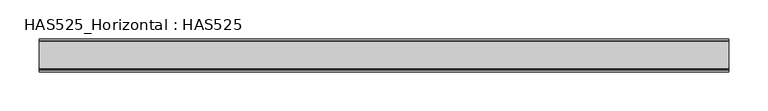
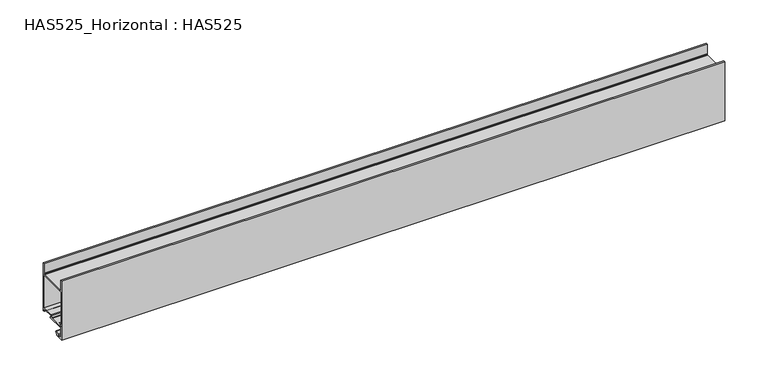
"""IFC4 building model written with IfcOpenShell, lengths in millimetres: beam geometry, HAS525_Horizontal : HAS525."""

from ifc_helpers import new_model, si_unit, point, frame, frame_2d, origin, place, context, project, spatial, polyline, circle_curve, trimmed, segment, composite_curve, outline, extrude, source, transform, mapped, element, save


def has525_horizontal_has525_60a64633(model_context):
    return source(origin(), model_context, "Body", "SweptSolid", [
        extrude(outline(composite_curve([segment(polyline([(17.8181818, -65.969697), (18.6730613, -64.4736579)]), True, "CONTINUOUS"), segment(trimmed(circle_curve(frame_2d((18.3102593, -64.2663425)), 0.4178576), [point((18.6730613, -64.4736579))], [point((18.3102593, -63.8484848))], True, "CARTESIAN"), True, "CONTINUOUS"), segment(polyline([(18.3102593, -63.8484848), (3.6060606, -63.8484848), (3.6060606, -65.7575758), (5.1459839, -66.1975538)]), True, "CONTINUOUS"), segment(trimmed(circle_curve(frame_2d((5.0293532, -66.6057611)), 0.4245419), [point((5.1459839, -66.1975538))], [point((5.0293532, -67.030303))], False, "CARTESIAN"), True, "CONTINUOUS"), segment(polyline([(5.0293532, -67.030303), (-17.3939394, -67.030303), (-18.4545455, -67.4545455), (-19.0909091, -68.5151515), (-19.0909091, -79.3939394), (-18.4545455, -80.4545455), (-17.3939394, -81.0909091), (-13.5757576, -81.0909091), (-12.7272727, -79.6060606), (-8.3578227, -77.9415082)]), True, "CONTINUOUS"), segment(trimmed(circle_curve(frame_2d((-8.2115322, -78.3255208)), 0.4109338), [point((-8.3578227, -77.9415082))], [point((-7.817929, -78.4436018))], False, "CARTESIAN"), True, "CONTINUOUS"), segment(polyline([(-7.817929, -78.4436018), (-8.4848485, -80.6666667), (-9.969697, -80.6666667), (-9.969697, -83.0), (-21.0, -83.0), (-21.0, 0.0), (-19.0909091, 0.0), (-19.0909091, -13.3636364), (-18.4545455, -14.4242424), (-17.3939394, -14.8484848), (17.6060606, -14.8484848), (18.6666667, -14.4242424), (19.0909091, -13.3636364), (19.0909091, 0.0), (21.0, 0.0), (21.0, -67.030303), (19.0909091, -67.030303), (17.8181818, -65.969697)]), True, "CONTINUOUS")], self_intersect=False), holes=[polyline([(-15.4848485, -61.7272727), (-18.8787879, -65.1212121), (0.0, -65.1212121), (1.0606061, -64.6969697), (2.010101, -62.3232323), (2.969697, -61.9393939), (19.0909091, -61.9393939), (19.0909091, -16.969697), (-19.0909091, -16.969697), (-19.0909091, -61.7272727), (-15.4848485, -61.7272727)])]), frame((-440.4233142, 0.0, 0.0), z_axis=(1.0, 0.0, 0.0), x_axis=(0.0, 1.0, 0.0)), (0.0, 0.0, 1.0), 880.8466284),
    ])


if __name__ == "__main__":
    model = new_model("IFC4")
    model_context = context("Model", 3, world=origin())
    ifc_project = project(units=[si_unit("LENGTHUNIT", "METRE", prefix="MILLI")], contexts=[model_context])
    site = spatial("IfcSite", under=ifc_project)
    building = spatial("IfcBuilding", under=site)
    placement = place(None, origin())
    has525_horizontal_has525_shape = has525_horizontal_has525_60a64633(model_context)
    element("IfcBeam", 1, ObjectType="HAS525_Horizontal : HAS525", at=placement, inside=building, context=model_context, shape_type="MappedRepresentation", body=[
        mapped(has525_horizontal_has525_shape, transform((0.0, 0.0, 0.0), x_axis=(1.0, 0.0, 0.0), y_axis=(0.0, 1.0, 0.0), z_axis=(0.0, 0.0, 1.0))),
    ])
    save(model, "model.ifc")
